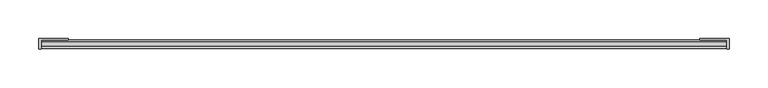
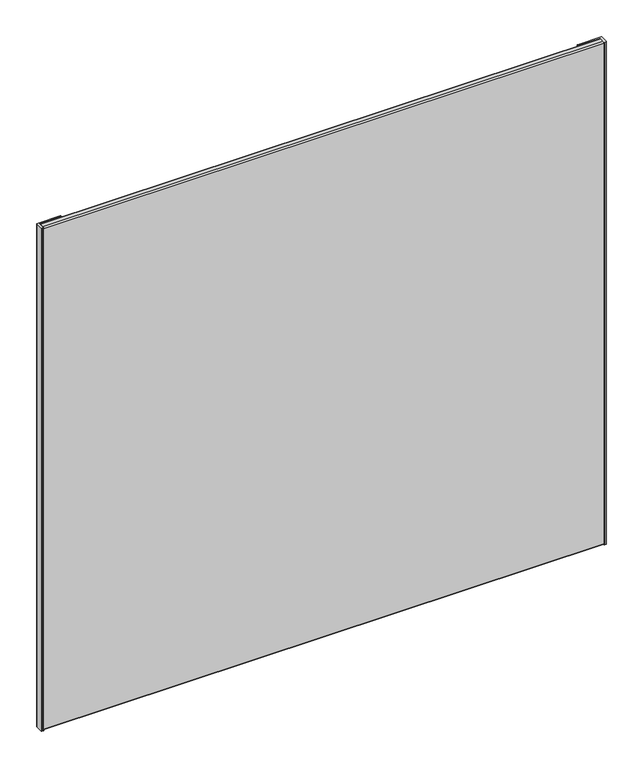
"""IFC4 building model written with IfcOpenShell, lengths in millimetres: furniture geometry."""

from ifc_helpers import new_model, si_unit, point, frame, frame_2d, origin, origin_with_axes, place, context, project, spatial, polyline, circle_curve, trimmed, segment, composite_curve, outline, extrude, source, transform, mapped, element, save


def furniture_c90d3e2f(model_context):
    return source(origin(), model_context, "Body", "SweptSolid", [
        extrude(outline(composite_curve([segment(polyline([(864.362, -21.1688864), (864.362, -20.1472124)]), True, "CONTINUOUS"), segment(trimmed(circle_curve(frame_2d((864.8597724, -20.1472124)), 0.4977724), [point((864.362, -20.1472124))], [point((864.8597724, -19.64944))], False, "CARTESIAN"), True, "CONTINUOUS"), segment(polyline([(864.8597724, -19.64944), (901.9354088, -19.64944)]), True, "CONTINUOUS"), segment(trimmed(circle_curve(frame_2d((901.9354088, -20.1760312)), 0.5265912), [point((901.9354088, -19.64944))], [point((902.462, -20.1760312))], False, "CARTESIAN"), True, "CONTINUOUS"), segment(polyline([(902.462, -20.1760312), (902.462, -32.608754)]), True, "CONTINUOUS"), segment(trimmed(circle_curve(frame_2d((901.959403, -32.608754)), 0.502597), [point((902.462, -32.608754))], [point((901.959403, -33.111351))], False, "CARTESIAN"), True, "CONTINUOUS"), segment(polyline([(901.959403, -33.111351), (899.705278, -33.111351)]), True, "CONTINUOUS"), segment(trimmed(circle_curve(frame_2d((899.705278, -32.5151924)), 0.5961586), [point((899.705278, -33.111351))], [point((899.1091194, -32.5151924))], False, "CARTESIAN"), True, "CONTINUOUS"), segment(polyline([(899.1091194, -32.5151924), (899.1091194, -21.68144), (864.8745536, -21.68144)]), True, "CONTINUOUS"), segment(trimmed(circle_curve(frame_2d((864.8745536, -21.1688864)), 0.5125536), [point((864.8745536, -21.68144))], [point((864.362, -21.1688864))], False, "CARTESIAN"), True, "CONTINUOUS")], self_intersect=False)), origin_with_axes(), (0.0, 0.0, 1.0), 838.2),
        extrude(outline(composite_curve([segment(trimmed(circle_curve(frame_2d((49.5254464, -21.1688864)), 0.5125536), [point((50.038, -21.1688864))], [point((49.5254464, -21.68144))], False, "CARTESIAN"), True, "CONTINUOUS"), segment(polyline([(49.5254464, -21.68144), (15.2908806, -21.68144), (15.2908806, -32.5151924)]), True, "CONTINUOUS"), segment(trimmed(circle_curve(frame_2d((14.694722, -32.5151924)), 0.5961586), [point((15.2908806, -32.5151924))], [point((14.694722, -33.111351))], False, "CARTESIAN"), True, "CONTINUOUS"), segment(polyline([(14.694722, -33.111351), (12.440597, -33.111351)]), True, "CONTINUOUS"), segment(trimmed(circle_curve(frame_2d((12.440597, -32.608754)), 0.502597), [point((12.440597, -33.111351))], [point((11.938, -32.608754))], False, "CARTESIAN"), True, "CONTINUOUS"), segment(polyline([(11.938, -32.608754), (11.938, -20.1760312)]), True, "CONTINUOUS"), segment(trimmed(circle_curve(frame_2d((12.4645912, -20.1760312)), 0.5265912), [point((11.938, -20.1760312))], [point((12.4645912, -19.64944))], False, "CARTESIAN"), True, "CONTINUOUS"), segment(polyline([(12.4645912, -19.64944), (49.5402276, -19.64944)]), True, "CONTINUOUS"), segment(trimmed(circle_curve(frame_2d((49.5402276, -20.1472124)), 0.4977724), [point((49.5402276, -19.64944))], [point((50.038, -20.1472124))], False, "CARTESIAN"), True, "CONTINUOUS"), segment(polyline([(50.038, -20.1472124), (50.038, -21.1688864)]), True, "CONTINUOUS")], self_intersect=False)), origin_with_axes(), (0.0, 0.0, 1.0), 838.2),
        extrude(outline(composite_curve([segment(polyline([(-30.2586719, 838.2), (-23.71344, 838.2)]), True, "CONTINUOUS"), segment(trimmed(circle_curve(frame_2d((-23.71344, 836.168)), 2.032), [point((-23.71344, 838.2))], [point((-21.68144, 836.168))], False, "CARTESIAN"), True, "CONTINUOUS"), segment(polyline([(-21.68144, 836.168), (-21.68144, 1.3367102)]), True, "CONTINUOUS"), segment(trimmed(circle_curve(frame_2d((-23.0181502, 1.3367102)), 1.3367102), [point((-21.68144, 1.3367102))], [point((-23.0181502, 0.0))], False, "CARTESIAN"), True, "CONTINUOUS"), segment(polyline([(-23.0181502, 0.0), (-30.2220767, 0.0)]), True, "CONTINUOUS"), segment(trimmed(circle_curve(frame_2d((-30.2220767, 2.0259549)), 2.0259549), [point((-30.2220767, 0.0))], [point((-32.2480316, 2.0259549))], False, "CARTESIAN"), True, "CONTINUOUS"), segment(polyline([(-32.2480316, 2.0259549), (-32.2480316, 836.2106403)]), True, "CONTINUOUS"), segment(trimmed(circle_curve(frame_2d((-30.2586719, 836.2106403)), 1.9893597), [point((-32.2480316, 836.2106403))], [point((-30.2586719, 838.2))], False, "CARTESIAN"), True, "CONTINUOUS")], self_intersect=False)), frame((15.2908806, 0.0, 0.0), z_axis=(1.0, 0.0, 0.0), x_axis=(0.0, 1.0, 0.0)), (0.0, 0.0, 1.0), 883.8182388),
    ])


if __name__ == "__main__":
    model = new_model("IFC4")
    model_context = context("Model", 3, world=origin())
    ifc_project = project(units=[si_unit("LENGTHUNIT", "METRE", prefix="MILLI")], contexts=[model_context])
    site = spatial("IfcSite", under=ifc_project)
    building = spatial("IfcBuilding", under=site)
    placement = place(None, origin())
    furniture_shape = furniture_c90d3e2f(model_context)
    element("IfcFurniture", 1, at=placement, inside=building, context=model_context, shape_type="MappedRepresentation", body=[
        mapped(furniture_shape, transform((0.0, 0.0, 0.0), x_axis=(1.0, 0.0, 0.0), y_axis=(0.0, 1.0, 0.0), z_axis=(0.0, 0.0, 1.0))),
    ])
    save(model, "model.ifc")
